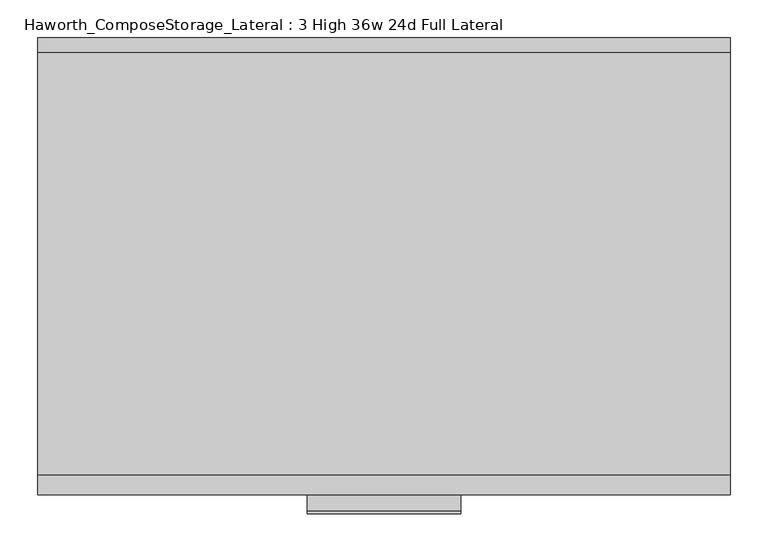
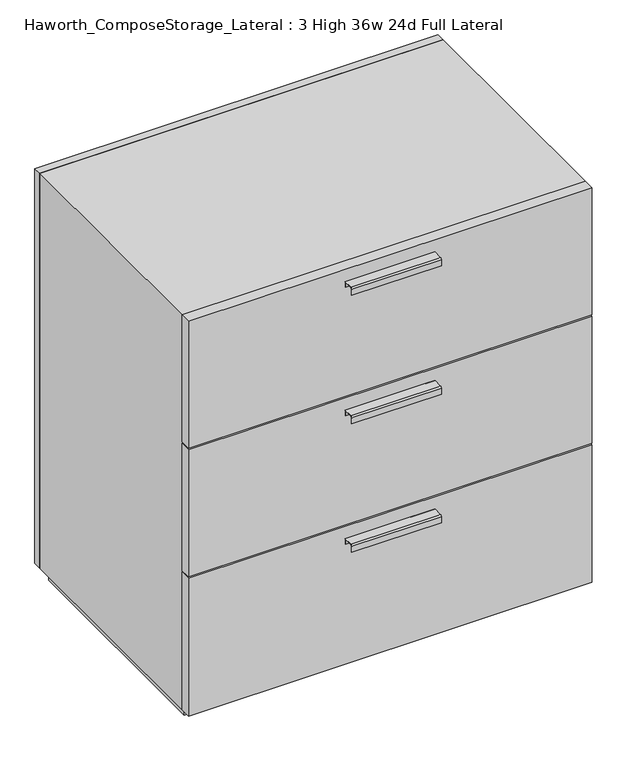
"""IFC4 building model written with IfcOpenShell, lengths in millimetres: furniture geometry, Haworth_ComposeStorage_Lateral : 3 High 36w 24d Full Lateral."""

from ifc_helpers import new_model, si_unit, point, frame, frame_2d, origin, origin_with_axes, place, context, project, spatial, polyline, circle_curve, trimmed, segment, composite_curve, outline, extrude, source, transform, mapped, element, save


def haworth_composestorage_lateral_3_high_36w_24d_full_lateral_49ff4b6d(model_context):
    return source(origin(), model_context, "Body", "SweptSolid", [
        extrude(outline(composite_curve([segment(polyline([(-276.2250242, 941.9669215), (-254.0, 941.9669215), (-254.0, 928.5049525), (-254.7937742, 928.5049525), (-254.7937742, 941.1732199), (-276.2250242, 941.1732199)]), True, "CONTINUOUS"), segment(trimmed(circle_curve(frame_2d((-276.2250242, 938.7892808)), 2.3839392), [point((-276.2250242, 941.1732199))], [point((-278.6089634, 938.7892808))], True, "CARTESIAN"), True, "CONTINUOUS"), segment(polyline([(-278.6089634, 938.7892808), (-278.6089634, 924.1869021), (-279.3999758, 924.1869021), (-279.3999758, 938.7919699)]), True, "CONTINUOUS"), segment(trimmed(circle_curve(frame_2d((-276.2250242, 938.7919699)), 3.1749516), [point((-279.3999758, 938.7919699))], [point((-276.2250242, 941.9669215))], False, "CARTESIAN"), True, "CONTINUOUS")], self_intersect=False)), frame((-101.5861094, 0.0, 0.0), z_axis=(1.0, 0.0, 0.0), x_axis=(0.0, 1.0, 0.0)), (0.0, 0.0, 1.0), 203.2),
        extrude(outline(polyline([(457.2138906, -228.6), (457.2138906, -254.0), (-457.1861094, -254.0), (-457.1861094, -228.6), (457.2138906, -228.6)])), frame((0.0, 0.0, 666.75), z_axis=(0.0, 0.0, 1.0), x_axis=(1.0, 0.0, 0.0)), (0.0, 0.0, 1.0), 304.8),
        extrude(outline(composite_curve([segment(polyline([(-276.2250242, 633.9919215), (-254.0, 633.9919215), (-254.0, 620.5299525), (-254.7937742, 620.5299525), (-254.7937742, 633.1982199), (-276.2250242, 633.1982199)]), True, "CONTINUOUS"), segment(trimmed(circle_curve(frame_2d((-276.2250242, 630.8142808)), 2.3839392), [point((-276.2250242, 633.1982199))], [point((-278.6089634, 630.8142808))], True, "CARTESIAN"), True, "CONTINUOUS"), segment(polyline([(-278.6089634, 630.8142808), (-278.6089634, 616.2119021), (-279.3999758, 616.2119021), (-279.3999758, 630.8169699)]), True, "CONTINUOUS"), segment(trimmed(circle_curve(frame_2d((-276.2250242, 630.8169699)), 3.1749516), [point((-279.3999758, 630.8169699))], [point((-276.2250242, 633.9919215))], False, "CARTESIAN"), True, "CONTINUOUS")], self_intersect=False)), frame((-101.5861094, 0.0, 0.0), z_axis=(1.0, 0.0, 0.0), x_axis=(0.0, 1.0, 0.0)), (0.0, 0.0, 1.0), 203.2),
        extrude(outline(polyline([(457.2138906, -228.6), (457.2138906, -254.0), (-457.1861094, -254.0), (-457.1861094, -228.6), (457.2138906, -228.6)])), frame((0.0, 0.0, 358.775), z_axis=(0.0, 0.0, 1.0), x_axis=(1.0, 0.0, 0.0)), (0.0, 0.0, 1.0), 304.8),
        extrude(outline(composite_curve([segment(polyline([(-276.2250242, 326.0169215), (-254.0, 326.0169215), (-254.0, 312.5549525), (-254.7937742, 312.5549525), (-254.7937742, 325.2232199), (-276.2250242, 325.2232199)]), True, "CONTINUOUS"), segment(trimmed(circle_curve(frame_2d((-276.2250242, 322.8392808)), 2.3839392), [point((-276.2250242, 325.2232199))], [point((-278.6089634, 322.8392808))], True, "CARTESIAN"), True, "CONTINUOUS"), segment(polyline([(-278.6089634, 322.8392808), (-278.6089634, 308.2369021), (-279.3999758, 308.2369021), (-279.3999758, 322.8419699)]), True, "CONTINUOUS"), segment(trimmed(circle_curve(frame_2d((-276.2250242, 322.8419699)), 3.1749516), [point((-279.3999758, 322.8419699))], [point((-276.2250242, 326.0169215))], False, "CARTESIAN"), True, "CONTINUOUS")], self_intersect=False)), frame((-101.5861094, 0.0, 0.0), z_axis=(1.0, 0.0, 0.0), x_axis=(0.0, 1.0, 0.0)), (0.0, 0.0, 1.0), 203.2),
        extrude(outline(polyline([(457.2138906, -228.6), (457.2138906, -254.0), (-457.1861094, -254.0), (-457.1861094, -228.6), (457.2138906, -228.6)])), frame((0.0, 0.0, 25.4), z_axis=(0.0, 0.0, 1.0), x_axis=(1.0, 0.0, 0.0)), (0.0, 0.0, 1.0), 330.2),
        extrude(outline(polyline([(457.2138906, 330.2), (-457.1861094, 330.2), (-457.1861094, 349.25), (457.2138906, 349.25), (457.2138906, 330.2)])), frame((0.0, 0.0, 25.4), z_axis=(0.0, 0.0, 1.0), x_axis=(1.0, 0.0, 0.0)), (0.0, 0.0, 1.0), 946.15),
        extrude(outline(polyline([(25.4, -457.1861094), (25.4, 457.2), (971.55, 457.2), (971.55, -457.1861094), (25.4, -457.1861094)]), holes=[polyline([(44.45, -438.1361094), (952.5, -438.1361094), (952.5, 438.1361094), (44.45, 438.1361094), (44.45, -438.1361094)])]), frame((0.0, -228.6, 0.0), z_axis=(0.0, 1.0, 0.0), x_axis=(0.0, 0.0, 1.0)), (0.0, 0.0, 1.0), 558.8),
        extrude(outline(polyline([(-438.1291641, 295.275), (-438.1291641, 304.8), (438.1569453, 304.8), (438.1569453, 295.275), (-438.1291641, 295.275)])), frame((0.0, 0.0, 44.45), z_axis=(0.0, 0.0, 1.0), x_axis=(1.0, 0.0, 0.0)), (0.0, 0.0, 1.0), 908.05),
        extrude(outline(polyline([(444.5138906, -215.9), (-444.4861094, -215.9), (-444.4861094, 317.5), (444.5138906, 317.5), (444.5138906, -215.9)])), origin_with_axes(), (0.0, 0.0, 1.0), 25.4),
    ])


if __name__ == "__main__":
    model = new_model("IFC4")
    model_context = context("Model", 3, world=origin())
    ifc_project = project(units=[si_unit("LENGTHUNIT", "METRE", prefix="MILLI")], contexts=[model_context])
    site = spatial("IfcSite", under=ifc_project)
    building = spatial("IfcBuilding", under=site)
    placement = place(None, origin())
    haworth_composestorage_lateral_3_high_36w_24d_full_lateral_shape = haworth_composestorage_lateral_3_high_36w_24d_full_lateral_49ff4b6d(model_context)
    element("IfcFurniture", 1, ObjectType="Haworth_ComposeStorage_Lateral : 3 High 36w 24d Full Lateral", at=placement, inside=building, context=model_context, shape_type="MappedRepresentation", body=[
        mapped(haworth_composestorage_lateral_3_high_36w_24d_full_lateral_shape, transform((0.0, 0.0, 0.0), x_axis=(1.0, 0.0, 0.0), y_axis=(0.0, 1.0, 0.0), z_axis=(0.0, 0.0, 1.0))),
    ])
    save(model, "model.ifc")
